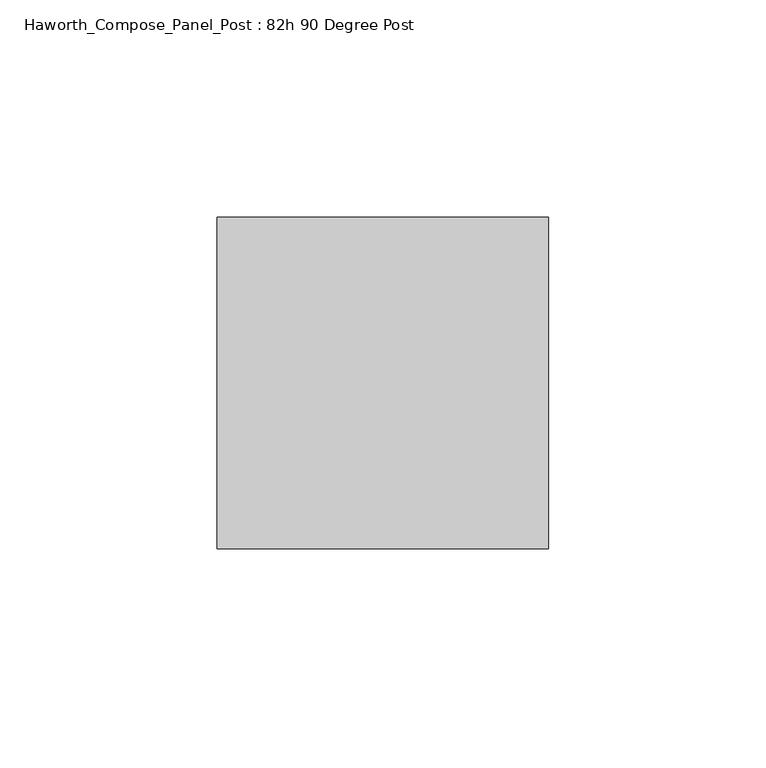
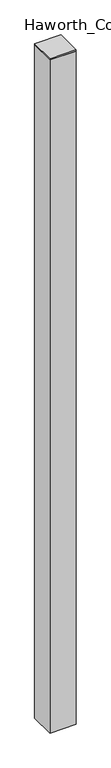
"""IFC4 building model written with IfcOpenShell, lengths in millimetres: furniture geometry, Haworth_Compose_Panel_Post : 82h 90 Degree Post."""

from ifc_helpers import new_model, si_unit, frame, origin, place, context, project, spatial, polyline, outline, extrude, source, transform, mapped, element, save


def haworth_compose_panel_post_82h_90_degree_post_182e28a6(model_context):
    return source(origin(), model_context, "Body", "SweptSolid", [
        extrude(outline(polyline([(0.0, 38.1), (76.2, 38.1), (76.2, -38.1), (0.0, -38.1), (0.0, 38.1)])), frame((0.0, 0.0, 2076.45), z_axis=(0.0, 0.0, 1.0), x_axis=(1.0, 0.0, 0.0)), (0.0, 0.0, 1.0), 3.175),
        extrude(outline(polyline([(76.2, 38.1), (76.2, -38.1), (0.0, -38.1), (0.0, 38.1), (76.2, 38.1)])), frame((0.0, 0.0, 12.7), z_axis=(0.0, 0.0, 1.0), x_axis=(1.0, 0.0, 0.0)), (0.0, 0.0, 1.0), 2063.75),
    ])


if __name__ == "__main__":
    model = new_model("IFC4")
    model_context = context("Model", 3, world=origin())
    ifc_project = project(units=[si_unit("LENGTHUNIT", "METRE", prefix="MILLI")], contexts=[model_context])
    site = spatial("IfcSite", under=ifc_project)
    building = spatial("IfcBuilding", under=site)
    placement = place(None, origin())
    haworth_compose_panel_post_82h_90_degree_post_shape = haworth_compose_panel_post_82h_90_degree_post_182e28a6(model_context)
    element("IfcFurniture", 1, ObjectType="Haworth_Compose_Panel_Post : 82h 90 Degree Post", at=placement, inside=building, context=model_context, shape_type="MappedRepresentation", body=[
        mapped(haworth_compose_panel_post_82h_90_degree_post_shape, transform((0.0, 0.0, 0.0), x_axis=(1.0, 0.0, 0.0), y_axis=(0.0, 1.0, 0.0), z_axis=(0.0, 0.0, 1.0))),
    ])
    save(model, "model.ifc")
